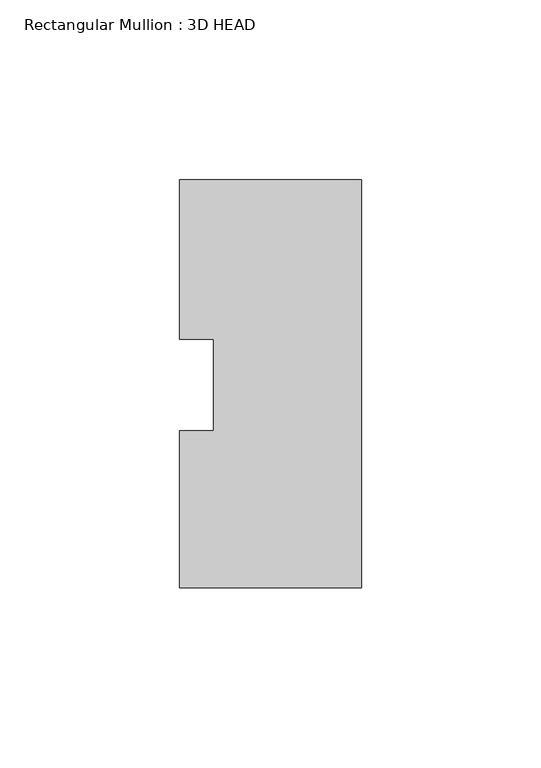
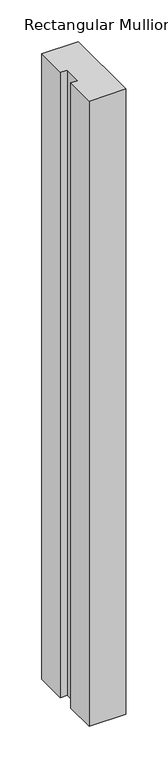
"""IFC4 building model written with IfcOpenShell, lengths in millimetres: member geometry, Rectangular Mullion : 3D HEAD."""

from ifc_helpers import new_model, si_unit, frame, origin, place, context, project, spatial, polyline, outline, extrude, source, transform, mapped, element, save


def rectangular_mullion_3d_head_8c600eb8(model_context):
    return source(origin(), model_context, "Body", "SweptSolid", [
        extrude(outline(polyline([(0.0, -56.4681052), (-50.8, -56.4681052), (-50.8, -12.6827714), (-41.275, -12.6827714), (-41.275, 12.8118553), (-50.8, 12.8118553), (-50.8, 57.2618553), (0.0, 57.2618553), (0.0, -56.4681052)])), frame((0.0, 0.0, -914.4), z_axis=(0.0, 0.0, 1.0), x_axis=(1.0, 0.0, 0.0)), (0.0, 0.0, 1.0), 914.4),
    ])


if __name__ == "__main__":
    model = new_model("IFC4")
    model_context = context("Model", 3, world=origin())
    ifc_project = project(units=[si_unit("LENGTHUNIT", "METRE", prefix="MILLI")], contexts=[model_context])
    site = spatial("IfcSite", under=ifc_project)
    building = spatial("IfcBuilding", under=site)
    placement = place(None, origin())
    rectangular_mullion_3d_head_shape = rectangular_mullion_3d_head_8c600eb8(model_context)
    element("IfcMember", 1, ObjectType="Rectangular Mullion : 3D HEAD", at=placement, inside=building, context=model_context, shape_type="MappedRepresentation", body=[
        mapped(rectangular_mullion_3d_head_shape, transform((0.0, 0.0, 0.0), x_axis=(1.0, 0.0, 0.0), y_axis=(0.0, 1.0, 0.0), z_axis=(0.0, 0.0, 1.0))),
    ])
    save(model, "model.ifc")
